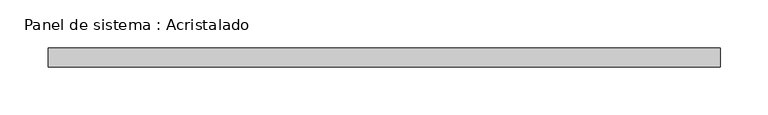
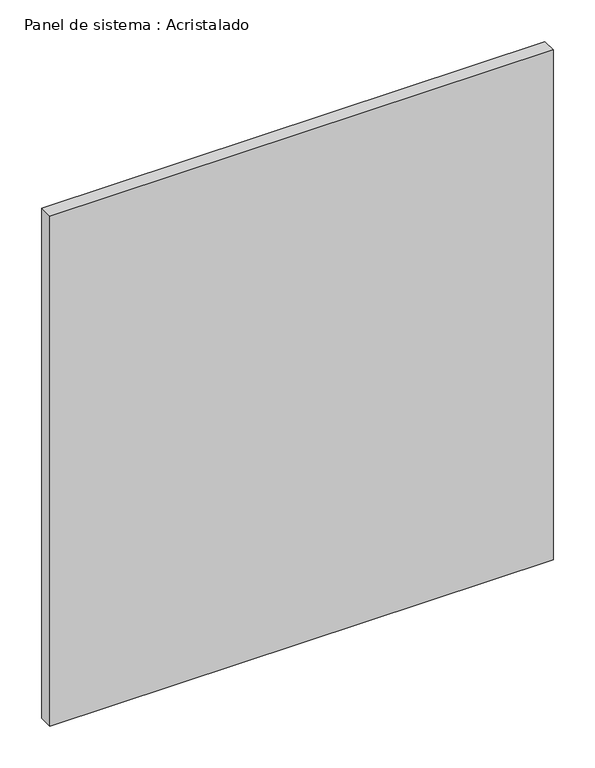
"""IFC4 building model written with IfcOpenShell, lengths in millimetres: plate geometry, Panel de sistema : Acristalado."""

import ifcopenshell
import ifcopenshell.guid

model = None  # the IFC model being written
_history = None  # IfcOwnerHistory: only IFC2X3 demands one
_inside = {}  # id of a spatial element -> (the spatial element, [elements in it])
_under = {}  # id of a project, library or spatial element -> (it, [spatial elements below it])
_declared = {}  # id of a project -> (the project, [libraries it declares])
_typed = {}  # id of a type object -> (the type object, [elements of that type])
_made_of = {}  # id of a material, layer set ... -> (it, [elements and type objects made of it])


def new_model(schema):
    """Start an empty IFC model of exactly this schema.

    Asked for "IFC4X3", IfcOpenShell would pick the latest addendum, in which some entities
    have other attributes; the version numbers below select the first issue.
    IFC2X3 requires an IfcOwnerHistory on every rooted entity: one is made here for all.
    """
    global model, _history
    if schema == "IFC4X3":
        model = ifcopenshell.file(schema_version=(4, 3, 0, 0))
    else:
        model = ifcopenshell.file(schema=schema)
    _inside.clear()
    _under.clear()
    _declared.clear()
    _typed.clear()
    _made_of.clear()
    _history = None
    if model.schema == "IFC2X3":
        org = make("IfcOrganization", Name="unknown")
        user = make(
            "IfcPersonAndOrganization",
            ThePerson=make("IfcPerson", FamilyName="unknown"),
            TheOrganization=org,
        )
        app = make(
            "IfcApplication",
            ApplicationDeveloper=org,
            Version="unknown",
            ApplicationFullName="unknown",
            ApplicationIdentifier="unknown",
        )
        _history = make(
            "IfcOwnerHistory",
            OwningUser=user,
            OwningApplication=app,
            ChangeAction="ADDED",
            CreationDate=0,
        )
    return model


def make(cls, **values):
    """One entity of the class cls with the attributes given. An attribute that is None is left unset."""
    return model.create_entity(
        cls, **{name: value for name, value in values.items() if value is not None}
    )


def rooted(cls, **values):
    """An entity with a GlobalId (a new one), such as an element, a storey or a relation."""
    return make(cls, GlobalId=ifcopenshell.guid.new(), OwnerHistory=_history, **values)


def si_unit(unit_type, name, prefix=None):
    """IfcSIUnit, for example si_unit("LENGTHUNIT", "METRE", prefix="MILLI")."""
    return make("IfcSIUnit", UnitType=unit_type, Prefix=prefix, Name=name)


def assignment(units):
    """IfcUnitAssignment: the units of a project."""
    return None if units is None else make("IfcUnitAssignment", Units=units)


def point(xyz):
    """IfcCartesianPoint."""
    return None if xyz is None else make("IfcCartesianPoint", Coordinates=xyz)


def direction(xyz):
    """IfcDirection."""
    return None if xyz is None else make("IfcDirection", DirectionRatios=xyz)


def frame(location, z_axis=None, x_axis=None):
    """IfcAxis2Placement3D, a coordinate frame: its origin and axes. An axis left out is left unset."""
    return make(
        "IfcAxis2Placement3D",
        Location=point(location),
        Axis=direction(z_axis),
        RefDirection=direction(x_axis),
    )


def origin():
    """The frame at (0, 0, 0) with its axes left unset."""
    return frame((0.0, 0.0, 0.0))


def origin_with_axes():
    """The frame at (0, 0, 0) with the z axis (0, 0, 1) and the x axis (1, 0, 0) written out."""
    return frame((0.0, 0.0, 0.0), z_axis=(0.0, 0.0, 1.0), x_axis=(1.0, 0.0, 0.0))


def place(relative_to, where):
    """IfcLocalPlacement: puts the frame where relative to a parent placement (None: the world)."""
    return make(
        "IfcLocalPlacement", PlacementRelTo=relative_to, RelativePlacement=where
    )


def context(
    kind, dimensions, precision=None, world=None, true_north=None, identifier=None
):
    """IfcGeometricRepresentationContext, for example the 3D "Model" context."""
    return make(
        "IfcGeometricRepresentationContext",
        ContextIdentifier=identifier,
        ContextType=kind,
        CoordinateSpaceDimension=dimensions,
        Precision=precision,
        WorldCoordinateSystem=world,
        TrueNorth=true_north,
    )


def project(units=None, contexts=None):
    """IfcProject with its units and contexts."""
    return rooted(
        "IfcProject",
        Name="project",
        RepresentationContexts=contexts,
        UnitsInContext=assignment(units),
    )


def spatial(cls, under=None, at=None, **own):
    """A site, building, storey or space (cls), placed at a placement, below another one or the project."""
    s = rooted(cls, ObjectPlacement=at, **own)
    if under is not None:
        _under.setdefault(under.id(), (under, []))[1].append(s)
    return s


def polyline(points):
    """IfcPolyline through the points."""
    return make("IfcPolyline", Points=[point(p) for p in points])


def outline(outer, holes=None, kind="AREA"):
    """IfcArbitraryClosedProfileDef: a profile drawn as a closed curve; with holes, ...WithVoids."""
    if holes is None:
        return make("IfcArbitraryClosedProfileDef", ProfileType=kind, OuterCurve=outer)
    return make(
        "IfcArbitraryProfileDefWithVoids",
        ProfileType=kind,
        OuterCurve=outer,
        InnerCurves=holes,
    )


def extrude(swept, where, along, depth):
    """IfcExtrudedAreaSolid: the profile swept, set in the frame where, extruded along a direction by depth."""
    return make(
        "IfcExtrudedAreaSolid",
        SweptArea=swept,
        Position=where,
        ExtrudedDirection=direction(along),
        Depth=depth,
    )


def shape(context_of_items, identifier, shape_type, items):
    """IfcShapeRepresentation: the items that make up one representation, for example the "Body"."""
    return make(
        "IfcShapeRepresentation",
        ContextOfItems=context_of_items,
        RepresentationIdentifier=identifier,
        RepresentationType=shape_type,
        Items=items,
    )


def source(mapping_origin, context_of_items, identifier, shape_type, items):
    """IfcRepresentationMap: a shape defined once, which mapped items show again and again."""
    return make(
        "IfcRepresentationMap",
        MappingOrigin=mapping_origin,
        MappedRepresentation=shape(context_of_items, identifier, shape_type, items),
    )


def transform(
    local_origin,
    x_axis=None,
    y_axis=None,
    z_axis=None,
    scale=None,
    scale2=None,
    scale3=None,
    uniform=True,
):
    """IfcCartesianTransformationOperator3D, or its non-uniform kind. x_axis, y_axis, z_axis: its Axis1, 2, 3."""
    if uniform:
        return make(
            "IfcCartesianTransformationOperator3D",
            Axis1=direction(x_axis),
            Axis2=direction(y_axis),
            LocalOrigin=point(local_origin),
            Scale=scale,
            Axis3=direction(z_axis),
        )
    return make(
        "IfcCartesianTransformationOperator3DnonUniform",
        Axis1=direction(x_axis),
        Axis2=direction(y_axis),
        LocalOrigin=point(local_origin),
        Scale=scale,
        Axis3=direction(z_axis),
        Scale2=scale2,
        Scale3=scale3,
    )


def mapped(mapping_source, mapping_target):
    """IfcMappedItem: shows the shape of a source again, moved by a transform."""
    return make(
        "IfcMappedItem", MappingSource=mapping_source, MappingTarget=mapping_target
    )


def made_of(thing, what):
    """Note that an element or type object is made of a material, layer set ...; save() writes the relation."""
    if what is not None:
        _made_of.setdefault(what.id(), (what, []))[1].append(thing)
    return thing


def element(
    cls,
    number,
    at=None,
    inside=None,
    cuts=None,
    type_object=None,
    material=None,
    context=None,
    identifier="Body",
    shape_type=None,
    held_by="IfcProductDefinitionShape",
    body=None,
    shapes=None,
    **own,
):
    """One element of the class cls, such as IfcWall. Its Tag is "e" and its number.

    at: its placement. inside: the storey or other place that contains it. cuts: it is an
    opening in that element (IfcRelVoidsElement). A single representation is given by context,
    identifier, shape_type and body (its items); several are given by shapes. held_by: the class
    of the entity that holds the representations. save() writes the other relations.
    """
    e = rooted(cls, Tag="e%d" % number, ObjectPlacement=at, **own)
    if body is not None:
        shapes = [shape(context, identifier, shape_type, body)]
    if shapes is not None:
        e.Representation = make(held_by, Representations=shapes)
    if inside is not None:
        _inside.setdefault(inside.id(), (inside, []))[1].append(e)
    if cuts is not None:
        rooted(
            "IfcRelVoidsElement", RelatingBuildingElement=cuts, RelatedOpeningElement=e
        )
    if type_object is not None:
        _typed.setdefault(type_object.id(), (type_object, []))[1].append(e)
    return made_of(e, material)


def aggregate(whole, parts):
    """IfcRelAggregates: a whole, such as a stair, and the parts it consists of."""
    return rooted("IfcRelAggregates", RelatingObject=whole, RelatedObjects=parts)


def save(model, path):
    """Write the relations noted so far, then the file.

    IfcRelAggregates (storeys below a building ...), IfcRelContainedInSpatialStructure (elements
    in a storey), IfcRelDefinesByType, IfcRelAssociatesMaterial and IfcRelDeclares: one each for
    every whole, place, type object, material and project.
    """
    for whole, parts in _under.values():
        aggregate(whole, parts)
    for where, things in _inside.values():
        rooted(
            "IfcRelContainedInSpatialStructure",
            RelatedElements=things,
            RelatingStructure=where,
        )
    for kind, things in _typed.values():
        rooted("IfcRelDefinesByType", RelatedObjects=things, RelatingType=kind)
    for what, things in _made_of.values():
        rooted("IfcRelAssociatesMaterial", RelatedObjects=things, RelatingMaterial=what)
    for by, libraries in _declared.values():
        rooted("IfcRelDeclares", RelatingContext=by, RelatedDefinitions=libraries)
    model.write(path)


def panel_de_sistema_acristalado_adc4c75c(model_context):
    return source(origin(), model_context, "Body", "SweptSolid", [
        extrude(outline(polyline([(350.0, -10.0), (-350.0, -10.0), (-350.0, 10.0), (350.0, 10.0), (350.0, -10.0)])), origin_with_axes(), (0.0, 0.0, 1.0), 750.0),
    ])


if __name__ == "__main__":
    model = new_model("IFC4")
    model_context = context("Model", 3, world=origin())
    ifc_project = project(units=[si_unit("LENGTHUNIT", "METRE", prefix="MILLI")], contexts=[model_context])
    site = spatial("IfcSite", under=ifc_project)
    building = spatial("IfcBuilding", under=site)
    placement = place(None, origin())
    panel_de_sistema_acristalado_shape = panel_de_sistema_acristalado_adc4c75c(model_context)
    element("IfcPlate", 1, ObjectType="Panel de sistema : Acristalado", at=placement, inside=building, context=model_context, shape_type="MappedRepresentation", body=[
        mapped(panel_de_sistema_acristalado_shape, transform((0.0, 0.0, 0.0), x_axis=(1.0, 0.0, 0.0), y_axis=(0.0, 1.0, 0.0), z_axis=(0.0, 0.0, 1.0))),
    ])
    save(model, "model.ifc")
